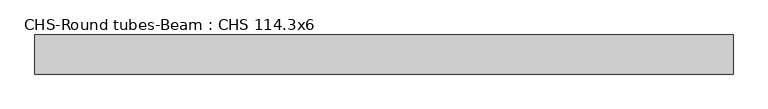
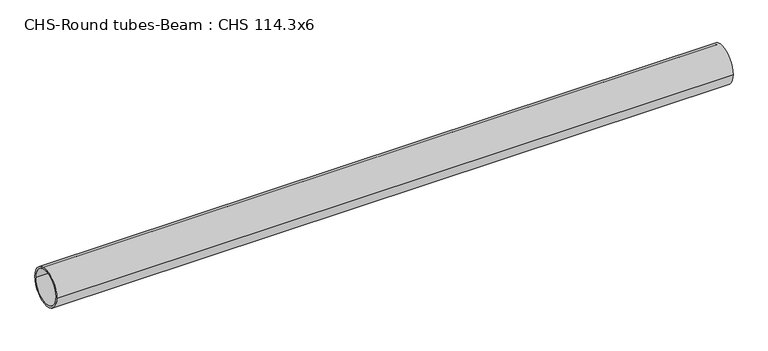
"""IFC4 building model written with IfcOpenShell, lengths in millimetres: beam geometry, CHS-Round tubes-Beam : CHS 114.3x6."""

from ifc_helpers import new_model, si_unit, point, frame, origin, origin_2d, place, context, project, spatial, circle_curve, trimmed, segment, composite_curve, outline, extrude, source, transform, mapped, element, save


def chs_round_tubes_beam_chs_114_3x6_b029551e(model_context):
    return source(origin(), model_context, "Body", "SweptSolid", [
        extrude(outline(composite_curve([segment(trimmed(circle_curve(origin_2d(), 57.15), [point((57.15, 0.0))], [point((-57.15, 0.0))], False, "CARTESIAN"), True, "CONTINUOUS"), segment(trimmed(circle_curve(origin_2d(), 57.15), [point((-57.15, 0.0))], [point((57.15, 0.0))], False, "CARTESIAN"), True, "CONTINUOUS")], self_intersect=False), holes=[composite_curve([segment(trimmed(circle_curve(origin_2d(), 51.15), [point((51.15, 0.0))], [point((-51.15, 0.0))], True, "CARTESIAN"), True, "CONTINUOUS"), segment(trimmed(circle_curve(origin_2d(), 51.15), [point((-51.15, 0.0))], [point((51.15, 0.0))], True, "CARTESIAN"), True, "CONTINUOUS")], self_intersect=False)]), frame((-988.2156366, 0.0, 0.0), z_axis=(1.0, 0.0, 0.0), x_axis=(0.0, 1.0, 0.0)), (0.0, 0.0, 1.0), 2041.6108221),
    ])


if __name__ == "__main__":
    model = new_model("IFC4")
    model_context = context("Model", 3, world=origin())
    ifc_project = project(units=[si_unit("LENGTHUNIT", "METRE", prefix="MILLI")], contexts=[model_context])
    site = spatial("IfcSite", under=ifc_project)
    building = spatial("IfcBuilding", under=site)
    placement = place(None, origin())
    chs_round_tubes_beam_chs_114_3x6_shape = chs_round_tubes_beam_chs_114_3x6_b029551e(model_context)
    element("IfcBeam", 1, ObjectType="CHS-Round tubes-Beam : CHS 114.3x6", at=placement, inside=building, context=model_context, shape_type="MappedRepresentation", body=[
        mapped(chs_round_tubes_beam_chs_114_3x6_shape, transform((0.0, 0.0, 0.0), x_axis=(1.0, 0.0, 0.0), y_axis=(0.0, 1.0, 0.0), z_axis=(0.0, 0.0, 1.0))),
    ])
    save(model, "model.ifc")
